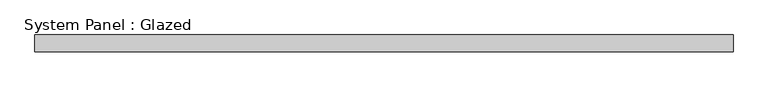
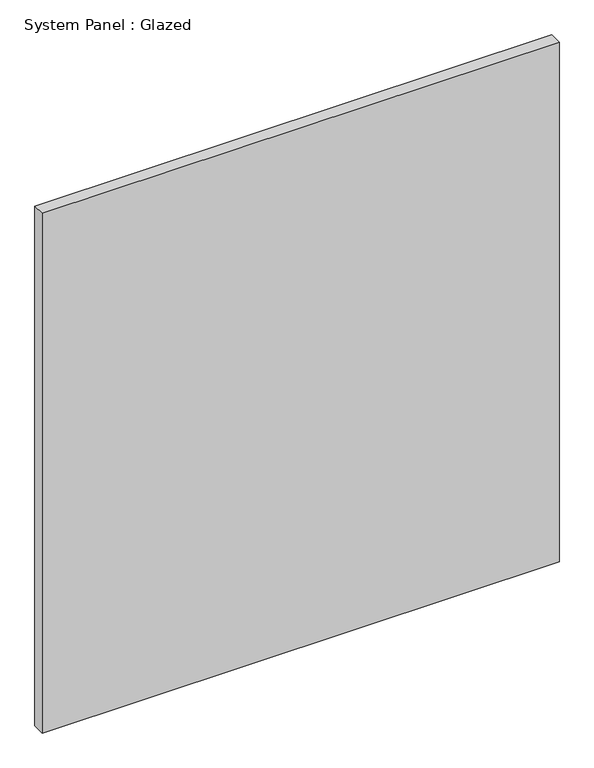
"""IFC4 building model written with IfcOpenShell, lengths in millimetres: plate geometry, System Panel : Glazed."""

from ifc_helpers import new_model, si_unit, origin, origin_with_axes, place, context, project, spatial, polyline, outline, extrude, source, transform, mapped, element, save


def system_panel_glazed_7a9342c0(model_context):
    return source(origin(), model_context, "Body", "SweptSolid", [
        extrude(outline(polyline([(528.6375, 19.05), (-528.6375, 19.05), (-528.6375, 44.45), (528.6375, 44.45), (528.6375, 19.05)])), origin_with_axes(), (0.0, 0.0, 1.0), 1123.95),
    ])


if __name__ == "__main__":
    model = new_model("IFC4")
    model_context = context("Model", 3, world=origin())
    ifc_project = project(units=[si_unit("LENGTHUNIT", "METRE", prefix="MILLI")], contexts=[model_context])
    site = spatial("IfcSite", under=ifc_project)
    building = spatial("IfcBuilding", under=site)
    placement = place(None, origin())
    system_panel_glazed_shape = system_panel_glazed_7a9342c0(model_context)
    element("IfcPlate", 1, ObjectType="System Panel : Glazed", at=placement, inside=building, context=model_context, shape_type="MappedRepresentation", body=[
        mapped(system_panel_glazed_shape, transform((0.0, 0.0, 0.0), x_axis=(1.0, 0.0, 0.0), y_axis=(0.0, 1.0, 0.0), z_axis=(0.0, 0.0, 1.0))),
    ])
    save(model, "model.ifc")
